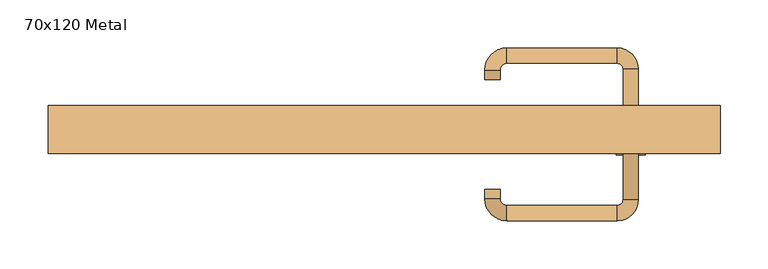
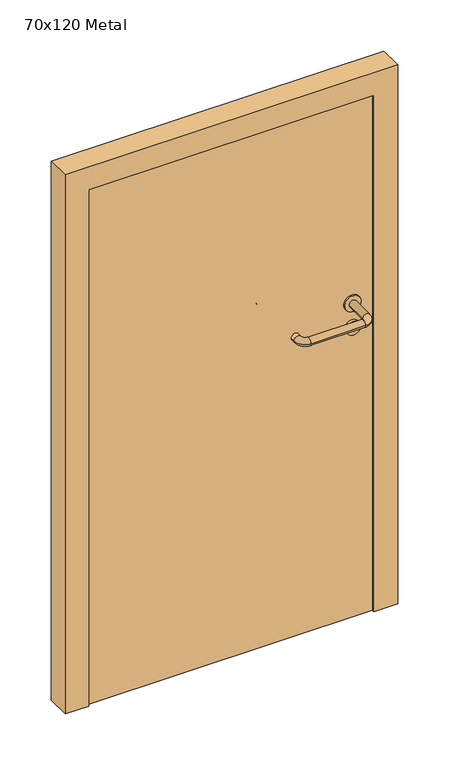
"""IFC4 building model written with IfcOpenShell, lengths in millimetres: door geometry, 70x120 Metal."""

from ifc_helpers import new_model, si_unit, point, frame, frame_2d, origin, origin_with_axes, place, context, project, spatial, polyline, circle_curve, ellipse_curve, trimmed, segment, composite_curve, outline, extrude, source, transform, mapped, element, save
from ifc_brep_helpers import plane_surface, cylinder_surface, revolved_surface, advanced_brep


def door_70x120_metal_e55fef74(model_context):
    return source(origin(), model_context, "Body", "SolidModel", [
        extrude(outline(composite_curve([segment(trimmed(circle_curve(frame_2d((647.3605726, 257.0)), 15.0), [point((647.3605726, 272.0))], [point((647.3605726, 242.0))], False, "CARTESIAN"), True, "CONTINUOUS"), segment(trimmed(circle_curve(frame_2d((647.3605726, 257.0)), 15.0), [point((647.3605726, 242.0))], [point((647.3605726, 272.0))], False, "CARTESIAN"), True, "CONTINUOUS")], self_intersect=False), holes=[composite_curve([segment(trimmed(circle_curve(frame_2d((642.5833211, 256.9398032)), 2.0), [point((642.5833211, 258.9398032))], [point((642.5833211, 254.9398032))], True, "CARTESIAN"), True, "CONTINUOUS"), segment(polyline([(642.5833211, 254.9398032), (652.5833211, 254.9398032)]), True, "CONTINUOUS"), segment(trimmed(circle_curve(frame_2d((652.5833211, 256.9398032)), 2.0), [point((652.5833211, 254.9398032))], [point((652.5833211, 258.9398032))], True, "CARTESIAN"), True, "CONTINUOUS"), segment(polyline([(652.5833211, 258.9398032), (642.5833211, 258.9398032)]), True, "CONTINUOUS")], self_intersect=False)]), frame((0.0, -115.0, 0.0), z_axis=(0.0, 1.0, 0.0), x_axis=(0.0, 0.0, 1.0)), (0.0, 0.0, 1.0), 6.35),
        extrude(outline(composite_curve([segment(trimmed(circle_curve(frame_2d((700.0, 257.0)), 17.526), [point((700.0, 274.526))], [point((700.0, 239.474))], False, "CARTESIAN"), True, "CONTINUOUS"), segment(trimmed(circle_curve(frame_2d((700.0, 257.0)), 17.526), [point((700.0, 239.474))], [point((700.0, 274.526))], False, "CARTESIAN"), True, "CONTINUOUS")], self_intersect=False)), frame((0.0, -115.0, 0.0), z_axis=(0.0, 1.0, 0.0), x_axis=(0.0, 0.0, 1.0)), (0.0, 0.0, 1.0), 3.175),
        advanced_brep(
        [(265.0, -115.0, 700.0), (249.0, -115.0, 700.0), (265.0, -62.0, 700.0), (249.0, -62.0, 700.0), (242.8578644, -55.8578644, 700.0), (242.8578644, -39.8578644, 700.0), (127.8578644, -39.8578644, 700.0), (127.8578644, -55.8578644, 700.0), (121.008622, -62.7071068, 700.0), (105.008622, -62.7071068, 700.0), (105.008622, -72.7071068, 700.0), (121.008622, -72.7071068, 700.0)],
        [
            (0, 1, circle_curve(frame((257.0, -115.0, 700.0), z_axis=(0.0, -1.0, 0.0), x_axis=(-1.0, 0.0, 0.0)), 8.0)),
            (1, 0, circle_curve(frame((257.0, -115.0, 700.0), z_axis=(0.0, -1.0, 0.0), x_axis=(-1.0, 0.0, 0.0)), 8.0)),
            (0, 2),
            (2, 3, circle_curve(frame((257.0, -62.0, 700.0), z_axis=(0.0, -1.0, 0.0), x_axis=(-1.0, 0.0, 0.0)), 8.0)),
            (3, 1),
            (3, 2, circle_curve(frame((257.0, -62.0, 700.0), z_axis=(0.0, -1.0, 0.0), x_axis=(-1.0, 0.0, 0.0)), 8.0)),
            (4, 3, circle_curve(frame((242.8578644, -62.0, 700.0), z_axis=(0.0, 0.0, -1.0), x_axis=(1.0, 0.0, 0.0)), 6.1421356)),
            (2, 5, circle_curve(frame((242.8578644, -62.0, 700.0), z_axis=(0.0, 0.0, 1.0), x_axis=(1.0, 0.0, 0.0)), 22.1421356)),
            (5, 4, circle_curve(frame((242.8578644, -47.8578644, 700.0), z_axis=(1.0, 0.0, 0.0), x_axis=(0.0, -1.0, 0.0)), 8.0)),
            (4, 5, circle_curve(frame((242.8578644, -47.8578644, 700.0), z_axis=(1.0, 0.0, 0.0), x_axis=(0.0, -1.0, 0.0)), 8.0)),
            (5, 6),
            (6, 7, circle_curve(frame((127.8578644, -47.8578644, 700.0), z_axis=(1.0, 0.0, 0.0), x_axis=(0.0, -1.0, 0.0)), 8.0)),
            (7, 4),
            (7, 6, circle_curve(frame((127.8578644, -47.8578644, 700.0), z_axis=(1.0, 0.0, 0.0), x_axis=(0.0, -1.0, 0.0)), 8.0)),
            (8, 7, circle_curve(frame((127.8578644, -62.7071068, 700.0), z_axis=(0.0, 0.0, -1.0), x_axis=(0.0, 1.0, 0.0)), 6.8492424)),
            (6, 9, circle_curve(frame((127.8578644, -62.7071068, 700.0), z_axis=(0.0, 0.0, 1.0), x_axis=(0.0, 1.0, 0.0)), 22.8492424)),
            (9, 8, circle_curve(frame((113.008622, -62.7071068, 700.0), z_axis=(0.0, 1.0, 0.0), x_axis=(1.0, 0.0, 0.0)), 8.0)),
            (8, 9, circle_curve(frame((113.008622, -62.7071068, 700.0), z_axis=(0.0, 1.0, 0.0), x_axis=(1.0, 0.0, 0.0)), 8.0)),
            (10, 11, circle_curve(frame((113.008622, -72.7071068, 700.0), z_axis=(0.0, -1.0, 0.0), x_axis=(1.0, 0.0, 0.0)), 8.0)),
            (11, 10, circle_curve(frame((113.008622, -72.7071068, 700.0), z_axis=(0.0, -1.0, 0.0), x_axis=(1.0, 0.0, 0.0)), 8.0)),
            (9, 10),
            (11, 8),
        ],
        [
            plane_surface(frame((257.0, -115.0, 0.0), z_axis=(0.0, -1.0, 0.0), x_axis=(0.0, 0.0, 1.0))),
            cylinder_surface(frame((257.0, -115.0, 700.0), z_axis=(0.0, -1.0, 0.0), x_axis=(-1.0, 0.0, 0.0)), 8.0),
            revolved_surface(trimmed(ellipse_curve(frame((257.0, -62.0, 700.0), z_axis=(0.0, -1.0, 0.0), x_axis=(-1.0, 0.0, 0.0)), 8.0, 8.0), [point((265.0, -62.0, 700.0))], [point((249.0, -62.0, 700.0))], True, "CARTESIAN"), (242.8578644, -62.0, 0.0), (0.0, 0.0, 1.0)),
            revolved_surface(trimmed(ellipse_curve(frame((257.0, -62.0, 700.0), z_axis=(0.0, -1.0, 0.0), x_axis=(-1.0, 0.0, 0.0)), 8.0, 8.0), [point((249.0, -62.0, 700.0))], [point((265.0, -62.0, 700.0))], True, "CARTESIAN"), (242.8578644, -62.0, 0.0), (0.0, 0.0, 1.0)),
            cylinder_surface(frame((242.8578644, -47.8578644, 700.0), z_axis=(1.0, 0.0, 0.0), x_axis=(0.0, -1.0, 0.0)), 8.0),
            revolved_surface(trimmed(ellipse_curve(frame((127.8578644, -47.8578644, 700.0), z_axis=(1.0, 0.0, 0.0), x_axis=(0.0, -1.0, 0.0)), 8.0, 8.0), [point((127.8578644, -39.8578644, 700.0))], [point((127.8578644, -55.8578644, 700.0))], True, "CARTESIAN"), (127.8578644, -62.7071068, 0.0), (0.0, 0.0, 1.0)),
            revolved_surface(trimmed(ellipse_curve(frame((127.8578644, -47.8578644, 700.0), z_axis=(1.0, 0.0, 0.0), x_axis=(0.0, -1.0, 0.0)), 8.0, 8.0), [point((127.8578644, -55.8578644, 700.0))], [point((127.8578644, -39.8578644, 700.0))], True, "CARTESIAN"), (127.8578644, -62.7071068, 0.0), (0.0, 0.0, 1.0)),
            plane_surface(frame((113.008622, -72.7071068, 0.0), z_axis=(0.0, -1.0, 0.0), x_axis=(0.0, 0.0, 1.0))),
            cylinder_surface(frame((113.008622, -62.7071068, 700.0), z_axis=(0.0, 1.0, 0.0), x_axis=(1.0, 0.0, 0.0)), 8.0),
        ],
        [
            (0, [[1, 2]]),
            (1, [[-1, 3, 4, 5]]),
            (1, [[-2, -5, 6, -3]]),
            (2, [[7, -4, 8, 9]]),
            (3, [[-8, -6, -7, 10]]),
            (4, [[-9, 11, 12, 13]]),
            (4, [[-10, -13, 14, -11]]),
            (5, [[15, -12, 16, 17]]),
            (6, [[-16, -14, -15, 18]]),
            (7, [[19, 20]]),
            (8, [[-17, 21, -20, 22]]),
            (8, [[-18, -22, -19, -21]]),
        ],
    ),
        extrude(outline(composite_curve([segment(trimmed(circle_curve(frame_2d((0.0, 15.0)), 15.0), [point((0.0, 30.0))], [point((0.0, 0.0))], False, "CARTESIAN"), True, "CONTINUOUS"), segment(trimmed(circle_curve(frame_2d((0.0, 15.0)), 15.0), [point((0.0, 0.0))], [point((0.0, 30.0))], False, "CARTESIAN"), True, "CONTINUOUS")], self_intersect=False), holes=[composite_curve([segment(trimmed(circle_curve(frame_2d((-4.7772515, 14.9398032)), 2.0), [point((-4.7772515, 16.9398032))], [point((-4.7772515, 12.9398032))], True, "CARTESIAN"), True, "CONTINUOUS"), segment(polyline([(-4.7772515, 12.9398032), (5.2227485, 12.9398032)]), True, "CONTINUOUS"), segment(trimmed(circle_curve(frame_2d((5.2227485, 14.9398032)), 2.0), [point((5.2227485, 12.9398032))], [point((5.2227485, 16.9398032))], True, "CARTESIAN"), True, "CONTINUOUS"), segment(polyline([(5.2227485, 16.9398032), (-4.7772515, 16.9398032)]), True, "CONTINUOUS")], self_intersect=False)]), frame((242.0, -151.35, 647.3605726), z_axis=(-1.8870575173328306e-12, 1.0, 0.0), x_axis=(0.0, 0.0, 1.0)), (0.0, 0.0, 1.0), 6.35),
        extrude(outline(composite_curve([segment(trimmed(circle_curve(frame_2d((0.0, 17.526)), 17.526), [point((0.0, 35.052))], [point((0.0, 0.0))], False, "CARTESIAN"), True, "CONTINUOUS"), segment(trimmed(circle_curve(frame_2d((0.0, 17.526)), 17.526), [point((0.0, 0.0))], [point((0.0, 35.052))], False, "CARTESIAN"), True, "CONTINUOUS")], self_intersect=False)), frame((239.474, -148.175, 700.0), z_axis=(-1.8870575173328306e-12, 1.0, 0.0), x_axis=(0.0, 0.0, 1.0)), (0.0, 0.0, 1.0), 3.175),
        advanced_brep(
        [(265.0, -145.0, 700.0), (249.0, -145.0, 700.0), (249.0, -198.0, 700.0), (265.0, -198.0, 700.0), (242.8578644, -204.1421356, 700.0), (242.8578644, -220.1421356, 700.0), (127.8578644, -204.1421356, 700.0), (127.8578644, -220.1421356, 700.0), (121.008622, -197.2928932, 700.0), (105.008622, -197.2928932, 700.0), (105.008622, -187.2928932, 700.0), (121.008622, -187.2928932, 700.0)],
        [
            (0, 1, circle_curve(frame((257.0, -145.0, 700.0), z_axis=(-1.888672253512351e-12, 1.0, 0.0), x_axis=(-1.0, -1.888672253512351e-12, 0.0)), 8.0)),
            (1, 0, circle_curve(frame((257.0, -145.0, 700.0), z_axis=(-1.888672253512351e-12, 1.0, 0.0), x_axis=(-1.0, -1.888672253512351e-12, 0.0)), 8.0)),
            (1, 2),
            (2, 3, circle_curve(frame((257.0, -198.0, 700.0), z_axis=(-1.888672253512351e-12, 1.0, 0.0), x_axis=(-1.0, -1.888672253512351e-12, 0.0)), 8.0)),
            (3, 0),
            (3, 2, circle_curve(frame((257.0, -198.0, 700.0), z_axis=(-1.888672253512351e-12, 1.0, 0.0), x_axis=(-1.0, -1.888672253512351e-12, 0.0)), 8.0)),
            (4, 5, circle_curve(frame((242.8578644, -212.1421356, 700.0), z_axis=(1.0, 1.913702061528922e-12, 0.0), x_axis=(-1.913702061528922e-12, 1.0, 0.0)), 8.0)),
            (5, 3, circle_curve(frame((242.8578644, -198.0, 700.0), z_axis=(0.0, 0.0, 1.0), x_axis=(1.0, 1.880717803715015e-12, 0.0)), 22.1421356)),
            (2, 4, circle_curve(frame((242.8578644, -198.0, 700.0), z_axis=(0.0, 0.0, -1.0), x_axis=(1.0, 1.880717803715015e-12, 0.0)), 6.1421356)),
            (5, 4, circle_curve(frame((242.8578644, -212.1421356, 700.0), z_axis=(1.0, 1.913702061528922e-12, 0.0), x_axis=(-1.913702061528922e-12, 1.0, 0.0)), 8.0)),
            (4, 6),
            (6, 7, circle_curve(frame((127.8578644, -212.1421356, 700.0), z_axis=(1.0, 1.913719828541269e-12, 0.0), x_axis=(-1.913719828541269e-12, 1.0, 0.0)), 8.0)),
            (7, 5),
            (7, 6, circle_curve(frame((127.8578644, -212.1421356, 700.0), z_axis=(1.0, 1.913719828541269e-12, 0.0), x_axis=(-1.913719828541269e-12, 1.0, 0.0)), 8.0)),
            (8, 9, circle_curve(frame((113.008622, -197.2928932, 700.0), z_axis=(1.8888942981172756e-12, -1.0, 0.0), x_axis=(1.0, 1.8888942981172756e-12, 0.0)), 8.0)),
            (9, 7, circle_curve(frame((127.8578644, -197.2928932, 700.0), z_axis=(0.0, 0.0, 1.0), x_axis=(1.9120873253494017e-12, -1.0, 0.0)), 22.8492424)),
            (6, 8, circle_curve(frame((127.8578644, -197.2928932, 700.0), z_axis=(0.0, 0.0, -1.0), x_axis=(1.9120873253494017e-12, -1.0, 0.0)), 6.8492424)),
            (9, 8, circle_curve(frame((113.008622, -197.2928932, 700.0), z_axis=(1.890448610351751e-12, -1.0, 0.0), x_axis=(1.0, 1.890448610351751e-12, 0.0)), 8.0)),
            (10, 11, circle_curve(frame((113.008622, -187.2928932, 700.0), z_axis=(-1.8903642334018795e-12, 1.0, 0.0), x_axis=(1.0, 1.8903642334018795e-12, 0.0)), 8.0)),
            (11, 10, circle_curve(frame((113.008622, -187.2928932, 700.0), z_axis=(-1.8903642334018795e-12, 1.0, 0.0), x_axis=(1.0, 1.8903642334018795e-12, 0.0)), 8.0)),
            (8, 11),
            (10, 9),
        ],
        [
            plane_surface(frame((257.0, -145.0, 0.0), z_axis=(-1.8870575173328306e-12, 1.0, 0.0), x_axis=(0.0, 0.0, 1.0))),
            cylinder_surface(frame((257.0, -145.0, 700.0), z_axis=(-1.888672253512351e-12, 1.0, 0.0), x_axis=(-1.0, -1.888672253512351e-12, 0.0)), 8.0),
            revolved_surface(trimmed(ellipse_curve(frame((257.0, -198.0, 700.0), z_axis=(1.8823325398945356e-12, -1.0, 0.0), x_axis=(-1.0, -1.8823325398945356e-12, 0.0)), 8.0, 8.0), [point((265.0, -198.0, 700.0))], [point((249.0, -198.0, 700.0))], True, "CARTESIAN"), (242.8578644, -198.0, 0.0), (0.0, 0.0, 1.0)),
            revolved_surface(trimmed(ellipse_curve(frame((257.0, -198.0, 700.0), z_axis=(1.8823325398945356e-12, -1.0, 0.0), x_axis=(-1.0, -1.8823325398945356e-12, 0.0)), 8.0, 8.0), [point((249.0, -198.0, 700.0))], [point((265.0, -198.0, 700.0))], True, "CARTESIAN"), (242.8578644, -198.0, 0.0), (0.0, 0.0, 1.0)),
            cylinder_surface(frame((242.8578644, -212.1421356, 700.0), z_axis=(1.0, 1.913719828541269e-12, 0.0), x_axis=(-1.913719828541269e-12, 1.0, 0.0)), 8.0),
            revolved_surface(trimmed(ellipse_curve(frame((127.8578644, -212.1421356, 700.0), z_axis=(-1.0, -1.913702061528922e-12, 0.0), x_axis=(-1.913702061528922e-12, 1.0, 0.0)), 8.0, 8.0), [point((127.8578644, -220.1421356, 700.0))], [point((127.8578644, -204.1421356, 700.0))], True, "CARTESIAN"), (127.8578644, -197.2928932, 0.0), (0.0, 0.0, 1.0)),
            revolved_surface(trimmed(ellipse_curve(frame((127.8578644, -212.1421356, 700.0), z_axis=(-1.0, -1.913702061528922e-12, 0.0), x_axis=(-1.913702061528922e-12, 1.0, 0.0)), 8.0, 8.0), [point((127.8578644, -204.1421356, 700.0))], [point((127.8578644, -220.1421356, 700.0))], True, "CARTESIAN"), (127.8578644, -197.2928932, 0.0), (0.0, 0.0, 1.0)),
            plane_surface(frame((113.008622, -187.2928932, 0.0), z_axis=(-1.8887494972223595e-12, 1.0, 0.0), x_axis=(0.0, 0.0, 1.0))),
            cylinder_surface(frame((113.008622, -197.2928932, 700.0), z_axis=(1.8903642334018795e-12, -1.0, 0.0), x_axis=(1.0, 1.8903642334018795e-12, 0.0)), 8.0),
        ],
        [
            (0, [[1, 2]]),
            (1, [[3, 4, 5, -2]]),
            (1, [[-5, 6, -3, -1]]),
            (2, [[7, 8, -4, 9]]),
            (3, [[10, -9, -6, -8]]),
            (4, [[11, 12, 13, -7]]),
            (4, [[-13, 14, -11, -10]]),
            (5, [[15, 16, -12, 17]]),
            (6, [[18, -17, -14, -16]]),
            (7, [[19, 20]]),
            (8, [[21, -19, 22, -15]]),
            (8, [[-22, -20, -21, -18]]),
        ],
    ),
        extrude(outline(polyline([(1150.0, 300.0), (0.0, 300.0), (0.0, 350.0), (1200.0, 350.0), (1200.0, -350.0), (0.0, -350.0), (0.0, -300.0), (1150.0, -300.0), (1150.0, 300.0)])), frame((0.0, -150.0, 0.0), z_axis=(0.0, 1.0, 0.0), x_axis=(0.0, 0.0, 1.0)), (0.0, 0.0, 1.0), 50.0),
        extrude(outline(polyline([(-300.0, -145.0), (-300.0, -115.0), (300.0, -115.0), (300.0, -145.0), (-300.0, -145.0)])), origin_with_axes(), (0.0, 0.0, 1.0), 1150.0),
    ])


if __name__ == "__main__":
    model = new_model("IFC4")
    model_context = context("Model", 3, world=origin())
    ifc_project = project(units=[si_unit("LENGTHUNIT", "METRE", prefix="MILLI")], contexts=[model_context])
    site = spatial("IfcSite", under=ifc_project)
    building = spatial("IfcBuilding", under=site)
    placement = place(None, origin())
    door_70x120_metal_shape = door_70x120_metal_e55fef74(model_context)
    element("IfcDoor", 1, ObjectType="70x120 Metal", at=placement, inside=building, context=model_context, shape_type="MappedRepresentation", body=[
        mapped(door_70x120_metal_shape, transform((0.0, 0.0, 0.0), x_axis=(1.0, 0.0, 0.0), y_axis=(0.0, 1.0, 0.0), z_axis=(0.0, 0.0, 1.0))),
    ])
    save(model, "model.ifc")
